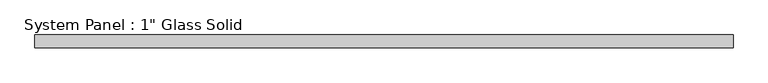
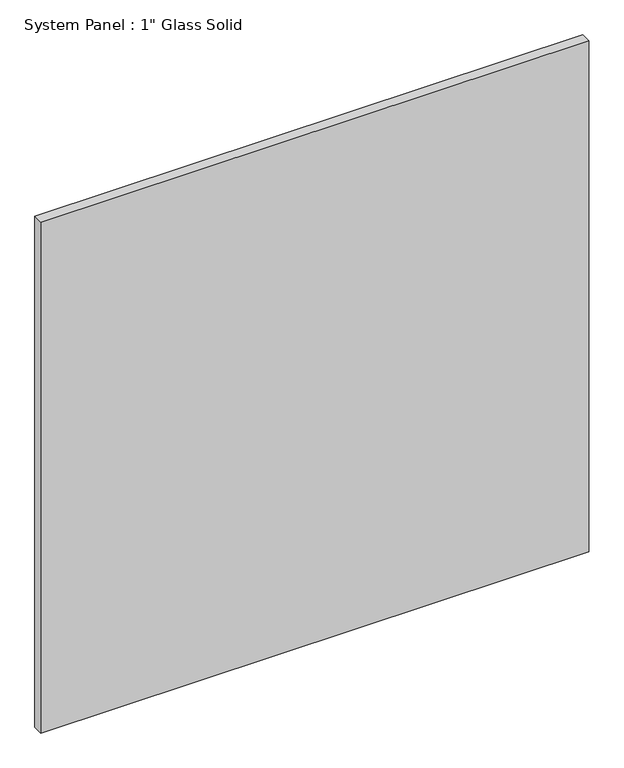
"""IFC4 building model written with IfcOpenShell, lengths in millimetres: plate geometry."""

from ifc_helpers import new_model, si_unit, origin, origin_with_axes, place, context, project, spatial, polyline, outline, extrude, source, transform, mapped, element, save


def plate_e89e580f(model_context):
    return source(origin(), model_context, "Body", "SweptSolid", [
        extrude(outline(polyline([(702.1554024, -12.7), (-702.1554024, -12.7), (-702.1554024, 12.7), (702.1554024, 12.7), (702.1554024, -12.7)])), origin_with_axes(), (0.0, 0.0, 1.0), 1384.1911731),
    ])


if __name__ == "__main__":
    model = new_model("IFC4")
    model_context = context("Model", 3, world=origin())
    ifc_project = project(units=[si_unit("LENGTHUNIT", "METRE", prefix="MILLI")], contexts=[model_context])
    site = spatial("IfcSite", under=ifc_project)
    building = spatial("IfcBuilding", under=site)
    placement = place(None, origin())
    plate_shape = plate_e89e580f(model_context)
    element("IfcPlate", 1, ObjectType="System Panel : 1\" Glass Solid", at=placement, inside=building, context=model_context, shape_type="MappedRepresentation", body=[
        mapped(plate_shape, transform((0.0, 0.0, 0.0), x_axis=(1.0, 0.0, 0.0), y_axis=(0.0, 1.0, 0.0), z_axis=(0.0, 0.0, 1.0))),
    ])
    save(model, "model.ifc")
